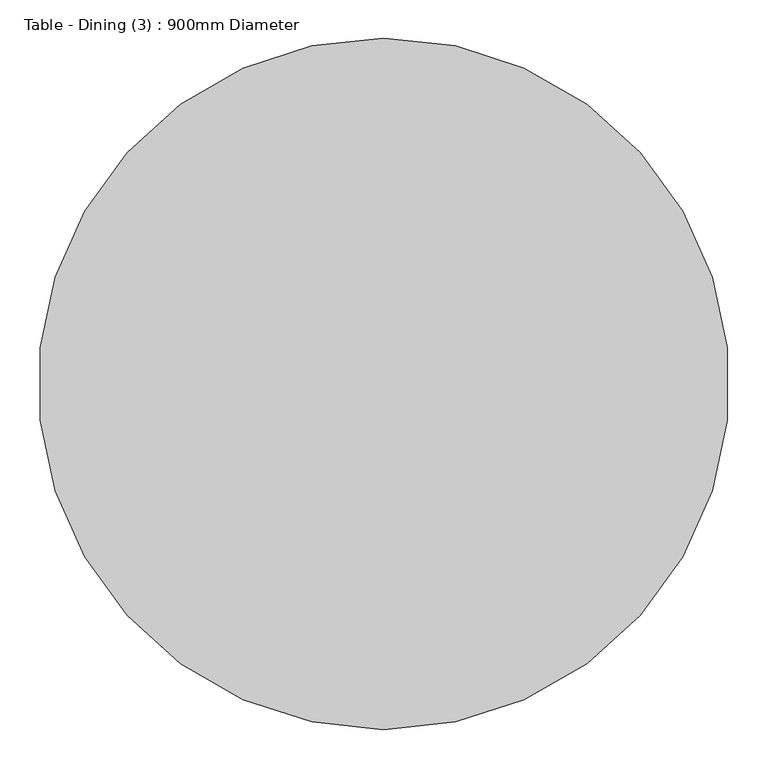
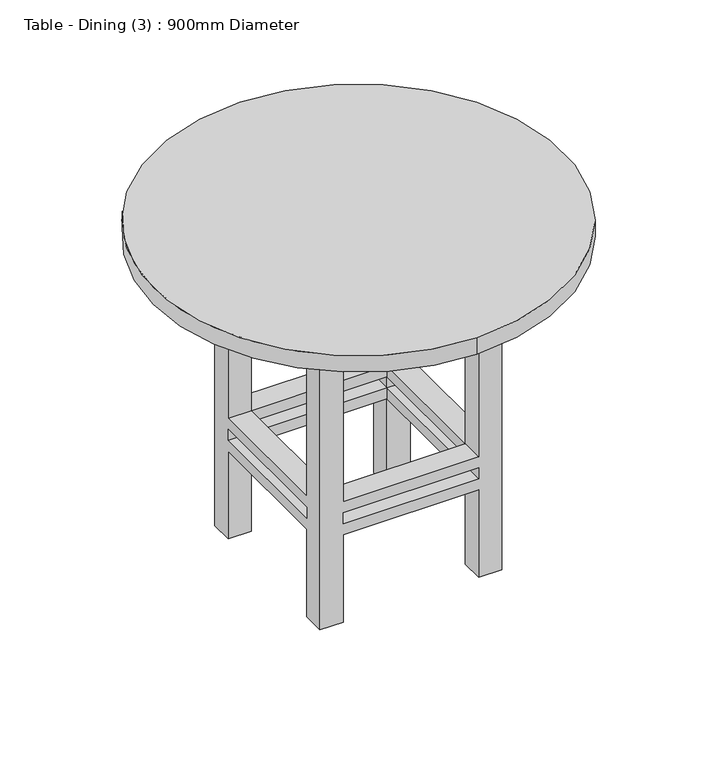
"""IFC4 building model written with IfcOpenShell, lengths in millimetres: furniture geometry, Table - Dining (3) : 900mm Diameter."""

import ifcopenshell
import ifcopenshell.guid

model = None  # the IFC model being written
_history = None  # IfcOwnerHistory: only IFC2X3 demands one
_inside = {}  # id of a spatial element -> (the spatial element, [elements in it])
_under = {}  # id of a project, library or spatial element -> (it, [spatial elements below it])
_declared = {}  # id of a project -> (the project, [libraries it declares])
_typed = {}  # id of a type object -> (the type object, [elements of that type])
_made_of = {}  # id of a material, layer set ... -> (it, [elements and type objects made of it])


def new_model(schema):
    """Start an empty IFC model of exactly this schema.

    Asked for "IFC4X3", IfcOpenShell would pick the latest addendum, in which some entities
    have other attributes; the version numbers below select the first issue.
    IFC2X3 requires an IfcOwnerHistory on every rooted entity: one is made here for all.
    """
    global model, _history
    if schema == "IFC4X3":
        model = ifcopenshell.file(schema_version=(4, 3, 0, 0))
    else:
        model = ifcopenshell.file(schema=schema)
    _inside.clear()
    _under.clear()
    _declared.clear()
    _typed.clear()
    _made_of.clear()
    _history = None
    if model.schema == "IFC2X3":
        org = make("IfcOrganization", Name="unknown")
        user = make(
            "IfcPersonAndOrganization",
            ThePerson=make("IfcPerson", FamilyName="unknown"),
            TheOrganization=org,
        )
        app = make(
            "IfcApplication",
            ApplicationDeveloper=org,
            Version="unknown",
            ApplicationFullName="unknown",
            ApplicationIdentifier="unknown",
        )
        _history = make(
            "IfcOwnerHistory",
            OwningUser=user,
            OwningApplication=app,
            ChangeAction="ADDED",
            CreationDate=0,
        )
    return model


def make(cls, **values):
    """One entity of the class cls with the attributes given. An attribute that is None is left unset."""
    return model.create_entity(
        cls, **{name: value for name, value in values.items() if value is not None}
    )


def rooted(cls, **values):
    """An entity with a GlobalId (a new one), such as an element, a storey or a relation."""
    return make(cls, GlobalId=ifcopenshell.guid.new(), OwnerHistory=_history, **values)


def si_unit(unit_type, name, prefix=None):
    """IfcSIUnit, for example si_unit("LENGTHUNIT", "METRE", prefix="MILLI")."""
    return make("IfcSIUnit", UnitType=unit_type, Prefix=prefix, Name=name)


def assignment(units):
    """IfcUnitAssignment: the units of a project."""
    return None if units is None else make("IfcUnitAssignment", Units=units)


def point(xyz):
    """IfcCartesianPoint."""
    return None if xyz is None else make("IfcCartesianPoint", Coordinates=xyz)


def direction(xyz):
    """IfcDirection."""
    return None if xyz is None else make("IfcDirection", DirectionRatios=xyz)


def frame(location, z_axis=None, x_axis=None):
    """IfcAxis2Placement3D, a coordinate frame: its origin and axes. An axis left out is left unset."""
    return make(
        "IfcAxis2Placement3D",
        Location=point(location),
        Axis=direction(z_axis),
        RefDirection=direction(x_axis),
    )


def frame_2d(location, x_axis=None):
    """IfcAxis2Placement2D, a coordinate frame in the plane: its origin and x axis."""
    return make(
        "IfcAxis2Placement2D", Location=point(location), RefDirection=direction(x_axis)
    )


def origin():
    """The frame at (0, 0, 0) with its axes left unset."""
    return frame((0.0, 0.0, 0.0))


def place(relative_to, where):
    """IfcLocalPlacement: puts the frame where relative to a parent placement (None: the world)."""
    return make(
        "IfcLocalPlacement", PlacementRelTo=relative_to, RelativePlacement=where
    )


def context(
    kind, dimensions, precision=None, world=None, true_north=None, identifier=None
):
    """IfcGeometricRepresentationContext, for example the 3D "Model" context."""
    return make(
        "IfcGeometricRepresentationContext",
        ContextIdentifier=identifier,
        ContextType=kind,
        CoordinateSpaceDimension=dimensions,
        Precision=precision,
        WorldCoordinateSystem=world,
        TrueNorth=true_north,
    )


def project(units=None, contexts=None):
    """IfcProject with its units and contexts."""
    return rooted(
        "IfcProject",
        Name="project",
        RepresentationContexts=contexts,
        UnitsInContext=assignment(units),
    )


def spatial(cls, under=None, at=None, **own):
    """A site, building, storey or space (cls), placed at a placement, below another one or the project."""
    s = rooted(cls, ObjectPlacement=at, **own)
    if under is not None:
        _under.setdefault(under.id(), (under, []))[1].append(s)
    return s


def polyline(points):
    """IfcPolyline through the points."""
    return make("IfcPolyline", Points=[point(p) for p in points])


def circle_curve(where, radius):
    """IfcCircle in the frame where."""
    return make("IfcCircle", Position=where, Radius=radius)


def trimmed(basis, trim1, trim2, sense, master):
    """IfcTrimmedCurve: the piece of a basis curve between two trims."""
    return make(
        "IfcTrimmedCurve",
        BasisCurve=basis,
        Trim1=trim1,
        Trim2=trim2,
        SenseAgreement=sense,
        MasterRepresentation=master,
    )


def segment(curve, same_sense, transition):
    """IfcCompositeCurveSegment."""
    return make(
        "IfcCompositeCurveSegment",
        Transition=transition,
        SameSense=same_sense,
        ParentCurve=curve,
    )


def composite_curve(segments, self_intersect=None):
    """IfcCompositeCurve: segments joined end to end."""
    return make("IfcCompositeCurve", Segments=segments, SelfIntersect=self_intersect)


def outline(outer, holes=None, kind="AREA"):
    """IfcArbitraryClosedProfileDef: a profile drawn as a closed curve; with holes, ...WithVoids."""
    if holes is None:
        return make("IfcArbitraryClosedProfileDef", ProfileType=kind, OuterCurve=outer)
    return make(
        "IfcArbitraryProfileDefWithVoids",
        ProfileType=kind,
        OuterCurve=outer,
        InnerCurves=holes,
    )


def extrude(swept, where, along, depth):
    """IfcExtrudedAreaSolid: the profile swept, set in the frame where, extruded along a direction by depth."""
    return make(
        "IfcExtrudedAreaSolid",
        SweptArea=swept,
        Position=where,
        ExtrudedDirection=direction(along),
        Depth=depth,
    )


def faces_of(points, faces, orient=None, outer=None):
    """IfcFace entities. A face is a list of loops; a loop is a list of indices into points, from 0.

    orient and outer hold one flag for each loop. By default every Orientation is true, the
    first loop of a face is its IfcFaceOuterBound and the others are IfcFaceBound.
    """
    made = []
    for i, loops in enumerate(faces):
        bounds = []
        for j, loop in enumerate(loops):
            is_outer = j == 0 if outer is None else outer[i][j]
            bounds.append(
                make(
                    "IfcFaceOuterBound" if is_outer else "IfcFaceBound",
                    Bound=make("IfcPolyLoop", Polygon=[points[k] for k in loop]),
                    Orientation=True if orient is None else orient[i][j],
                )
            )
        made.append(make("IfcFace", Bounds=bounds))
    return made


def faceted_brep(points, faces, orient=None, outer=None, voids=None):
    """IfcFacetedBrep: a solid bounded by flat faces; with voids (closed shells), ...WithVoids."""
    shared = [point(p) for p in points]
    hull = make("IfcClosedShell", CfsFaces=faces_of(shared, faces, orient, outer))
    if voids is None:
        return make("IfcFacetedBrep", Outer=hull)
    return make(
        "IfcFacetedBrepWithVoids",
        Outer=hull,
        Voids=[
            make(cls, CfsFaces=faces_of(shared, fs, o, b)) for cls, fs, o, b in voids
        ],
    )


def shape(context_of_items, identifier, shape_type, items):
    """IfcShapeRepresentation: the items that make up one representation, for example the "Body"."""
    return make(
        "IfcShapeRepresentation",
        ContextOfItems=context_of_items,
        RepresentationIdentifier=identifier,
        RepresentationType=shape_type,
        Items=items,
    )


def source(mapping_origin, context_of_items, identifier, shape_type, items):
    """IfcRepresentationMap: a shape defined once, which mapped items show again and again."""
    return make(
        "IfcRepresentationMap",
        MappingOrigin=mapping_origin,
        MappedRepresentation=shape(context_of_items, identifier, shape_type, items),
    )


def transform(
    local_origin,
    x_axis=None,
    y_axis=None,
    z_axis=None,
    scale=None,
    scale2=None,
    scale3=None,
    uniform=True,
):
    """IfcCartesianTransformationOperator3D, or its non-uniform kind. x_axis, y_axis, z_axis: its Axis1, 2, 3."""
    if uniform:
        return make(
            "IfcCartesianTransformationOperator3D",
            Axis1=direction(x_axis),
            Axis2=direction(y_axis),
            LocalOrigin=point(local_origin),
            Scale=scale,
            Axis3=direction(z_axis),
        )
    return make(
        "IfcCartesianTransformationOperator3DnonUniform",
        Axis1=direction(x_axis),
        Axis2=direction(y_axis),
        LocalOrigin=point(local_origin),
        Scale=scale,
        Axis3=direction(z_axis),
        Scale2=scale2,
        Scale3=scale3,
    )


def mapped(mapping_source, mapping_target):
    """IfcMappedItem: shows the shape of a source again, moved by a transform."""
    return make(
        "IfcMappedItem", MappingSource=mapping_source, MappingTarget=mapping_target
    )


def made_of(thing, what):
    """Note that an element or type object is made of a material, layer set ...; save() writes the relation."""
    if what is not None:
        _made_of.setdefault(what.id(), (what, []))[1].append(thing)
    return thing


def element(
    cls,
    number,
    at=None,
    inside=None,
    cuts=None,
    type_object=None,
    material=None,
    context=None,
    identifier="Body",
    shape_type=None,
    held_by="IfcProductDefinitionShape",
    body=None,
    shapes=None,
    **own,
):
    """One element of the class cls, such as IfcWall. Its Tag is "e" and its number.

    at: its placement. inside: the storey or other place that contains it. cuts: it is an
    opening in that element (IfcRelVoidsElement). A single representation is given by context,
    identifier, shape_type and body (its items); several are given by shapes. held_by: the class
    of the entity that holds the representations. save() writes the other relations.
    """
    e = rooted(cls, Tag="e%d" % number, ObjectPlacement=at, **own)
    if body is not None:
        shapes = [shape(context, identifier, shape_type, body)]
    if shapes is not None:
        e.Representation = make(held_by, Representations=shapes)
    if inside is not None:
        _inside.setdefault(inside.id(), (inside, []))[1].append(e)
    if cuts is not None:
        rooted(
            "IfcRelVoidsElement", RelatingBuildingElement=cuts, RelatedOpeningElement=e
        )
    if type_object is not None:
        _typed.setdefault(type_object.id(), (type_object, []))[1].append(e)
    return made_of(e, material)


def aggregate(whole, parts):
    """IfcRelAggregates: a whole, such as a stair, and the parts it consists of."""
    return rooted("IfcRelAggregates", RelatingObject=whole, RelatedObjects=parts)


def save(model, path):
    """Write the relations noted so far, then the file.

    IfcRelAggregates (storeys below a building ...), IfcRelContainedInSpatialStructure (elements
    in a storey), IfcRelDefinesByType, IfcRelAssociatesMaterial and IfcRelDeclares: one each for
    every whole, place, type object, material and project.
    """
    for whole, parts in _under.values():
        aggregate(whole, parts)
    for where, things in _inside.values():
        rooted(
            "IfcRelContainedInSpatialStructure",
            RelatedElements=things,
            RelatingStructure=where,
        )
    for kind, things in _typed.values():
        rooted("IfcRelDefinesByType", RelatedObjects=things, RelatingType=kind)
    for what, things in _made_of.values():
        rooted("IfcRelAssociatesMaterial", RelatedObjects=things, RelatingMaterial=what)
    for by, libraries in _declared.values():
        rooted("IfcRelDeclares", RelatingContext=by, RelatedDefinitions=libraries)
    model.write(path)


def table_dining_3_900mm_diameter_b3554e16(model_context):
    return source(origin(), model_context, "Body", "SolidModel", [
        faceted_brep([(-45.1180328, 14.7213115, 645.7), (-95.9180328, 14.7213115, 645.7), (-95.9180328, -36.0786885, 645.7), (-45.1180328, -36.0786885, 645.7), (252.4819672, 14.7213115, 645.7), (252.4819672, -36.0786885, 645.7), (303.2819672, -36.0786885, 645.7), (303.2819672, 14.7213115, 645.7), (252.4819672, -384.4786885, 645.7), (303.2819672, -384.4786885, 645.7), (303.2819672, -333.6786885, 645.7), (252.4819672, -333.6786885, 645.7), (-45.1180328, -384.4786885, 645.7), (-45.1180328, -333.6786885, 645.7), (-95.9180328, -333.6786885, 645.7), (-95.9180328, -384.4786885, 645.7), (-45.1180328, 14.7213115, 0.0), (-45.1180328, -36.0786885, 0.0), (-95.9180328, -36.0786885, 0.0), (-95.9180328, 14.7213115, 0.0), (252.4819672, 14.7213115, 0.0), (303.2819672, 14.7213115, 0.0), (303.2819672, -36.0786885, 0.0), (252.4819672, -36.0786885, 0.0), (252.4819672, -384.4786885, 0.0), (252.4819672, -333.6786885, 0.0), (303.2819672, -333.6786885, 0.0), (303.2819672, -384.4786885, 0.0), (-45.1180328, -384.4786885, 0.0), (-95.9180328, -384.4786885, 0.0), (-95.9180328, -333.6786885, 0.0), (-45.1180328, -333.6786885, 0.0), (-45.1180328, 14.7213115, 279.4), (252.4819672, 14.7213115, 279.4), (252.4819672, 14.7213115, 203.2), (-45.1180328, 14.7213115, 203.2), (252.4819672, 14.7213115, 228.6), (252.4819672, 14.7213115, 254.0), (-45.1180328, 14.7213115, 254.0), (-45.1180328, 14.7213115, 228.6), (-95.9180328, -36.0786885, 203.2), (-95.9180328, -333.6786885, 203.2), (-95.9180328, -333.6786885, 279.4), (-95.9180328, -36.0786885, 279.4), (-95.9180328, -36.0786885, 228.6), (-95.9180328, -36.0786885, 254.0), (-95.9180328, -333.6786885, 254.0), (-95.9180328, -333.6786885, 228.6), (-45.1180328, -36.0786885, 279.4), (-45.1180328, -36.0786885, 203.2), (-45.1180328, -36.0786885, 228.6), (-45.1180328, -36.0786885, 254.0), (252.4819672, -36.0786885, 279.4), (252.4819672, -36.0786885, 203.2), (252.4819672, -36.0786885, 228.6), (252.4819672, -36.0786885, 254.0), (303.2819672, -36.0786885, 279.4), (303.2819672, -36.0786885, 203.2), (303.2819672, -36.0786885, 228.6), (303.2819672, -36.0786885, 254.0), (303.2819672, -333.6786885, 279.4), (303.2819672, -333.6786885, 203.2), (303.2819672, -333.6786885, 228.6), (303.2819672, -333.6786885, 254.0), (252.4819672, -384.4786885, 279.4), (-45.1180328, -384.4786885, 279.4), (-45.1180328, -384.4786885, 203.2), (252.4819672, -384.4786885, 203.2), (-45.1180328, -384.4786885, 228.6), (-45.1180328, -384.4786885, 254.0), (252.4819672, -384.4786885, 254.0), (252.4819672, -384.4786885, 228.6), (252.4819672, -333.6786885, 279.4), (252.4819672, -333.6786885, 203.2), (252.4819672, -333.6786885, 228.6), (252.4819672, -333.6786885, 254.0), (-45.1180328, -333.6786885, 279.4), (-45.1180328, -333.6786885, 203.2), (-45.1180328, -333.6786885, 228.6), (-45.1180328, -333.6786885, 254.0)], [[[0, 1, 2, 3]], [[4, 5, 6, 7]], [[8, 9, 10, 11]], [[12, 13, 14, 15]], [[16, 17, 18, 19]], [[20, 21, 22, 23]], [[24, 25, 26, 27]], [[28, 29, 30, 31]], [[1, 0, 32, 33, 4, 7, 21, 20, 34, 35, 16, 19], [36, 37, 38, 39]], [[2, 1, 19, 18, 40, 41, 30, 29, 15, 14, 42, 43], [44, 45, 46, 47]], [[3, 2, 43, 48]], [[18, 17, 49, 40]], [[44, 50, 51, 45]], [[0, 3, 48, 32]], [[17, 16, 35, 49]], [[50, 39, 38, 51]], [[5, 4, 33, 52]], [[20, 23, 53, 34]], [[36, 54, 55, 37]], [[6, 5, 52, 56]], [[23, 22, 57, 53]], [[54, 58, 59, 55]], [[21, 7, 6, 56, 60, 10, 9, 27, 26, 61, 57, 22], [62, 63, 59, 58]], [[27, 9, 8, 64, 65, 12, 15, 29, 28, 66, 67, 24], [68, 69, 70, 71]], [[11, 10, 60, 72]], [[26, 25, 73, 61]], [[62, 74, 75, 63]], [[8, 11, 72, 64]], [[25, 24, 67, 73]], [[74, 71, 70, 75]], [[13, 12, 65, 76]], [[28, 31, 77, 66]], [[68, 78, 79, 69]], [[14, 13, 76, 42]], [[31, 30, 41, 77]], [[78, 47, 46, 79]], [[54, 74, 62, 58]], [[74, 78, 68, 71]], [[78, 50, 44, 47]], [[50, 54, 36, 39]], [[53, 49, 35, 34]], [[49, 77, 41, 40]], [[77, 73, 67, 66]], [[73, 53, 57, 61]], [[74, 54, 53, 73]], [[78, 74, 73, 77]], [[50, 78, 77, 49]], [[54, 50, 49, 53]], [[52, 72, 60, 56]], [[72, 76, 65, 64]], [[76, 48, 43, 42]], [[48, 52, 33, 32]], [[55, 51, 38, 37]], [[51, 79, 46, 45]], [[79, 75, 70, 69]], [[75, 55, 59, 63]], [[72, 52, 55, 75]], [[76, 72, 75, 79]], [[48, 76, 79, 51]], [[52, 48, 51, 55]]]),
        extrude(outline(polyline([(328.6819672, 40.1213115), (328.6819672, -409.8786885), (-121.3180328, -409.8786885), (-121.3180328, 40.1213115), (328.6819672, 40.1213115)]), holes=[polyline([(303.2819672, 14.7213115), (-95.9180328, 14.7213115), (-95.9180328, -384.4786885), (303.2819672, -384.4786885), (303.2819672, 14.7213115)])]), frame((0.0, 0.0, 645.7), z_axis=(0.0, 0.0, 1.0), x_axis=(1.0, 0.0, 0.0)), (0.0, 0.0, 1.0), 76.2),
        extrude(outline(composite_curve([segment(trimmed(circle_curve(frame_2d((103.6819672, -184.8786885)), 450.0), [point((103.6819672, -634.8786885))], [point((103.6819672, 265.1213115))], False, "CARTESIAN"), True, "CONTINUOUS"), segment(trimmed(circle_curve(frame_2d((103.6819672, -184.8786885)), 450.0), [point((103.6819672, 265.1213115))], [point((103.6819672, -634.8786885))], False, "CARTESIAN"), True, "CONTINUOUS")], self_intersect=False)), frame((0.0, 0.0, 721.9), z_axis=(0.0, 0.0, 1.0), x_axis=(1.0, 0.0, 0.0)), (0.0, 0.0, 1.0), 38.1),
    ])


if __name__ == "__main__":
    model = new_model("IFC4")
    model_context = context("Model", 3, world=origin())
    ifc_project = project(units=[si_unit("LENGTHUNIT", "METRE", prefix="MILLI")], contexts=[model_context])
    site = spatial("IfcSite", under=ifc_project)
    building = spatial("IfcBuilding", under=site)
    placement = place(None, origin())
    table_dining_3_900mm_diameter_shape = table_dining_3_900mm_diameter_b3554e16(model_context)
    element("IfcFurniture", 1, ObjectType="Table - Dining (3) : 900mm Diameter", at=placement, inside=building, context=model_context, shape_type="MappedRepresentation", body=[
        mapped(table_dining_3_900mm_diameter_shape, transform((0.0, 0.0, 0.0), x_axis=(1.0, 0.0, 0.0), y_axis=(0.0, 1.0, 0.0), z_axis=(0.0, 0.0, 1.0))),
    ])
    save(model, "model.ifc")
